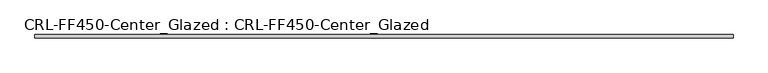
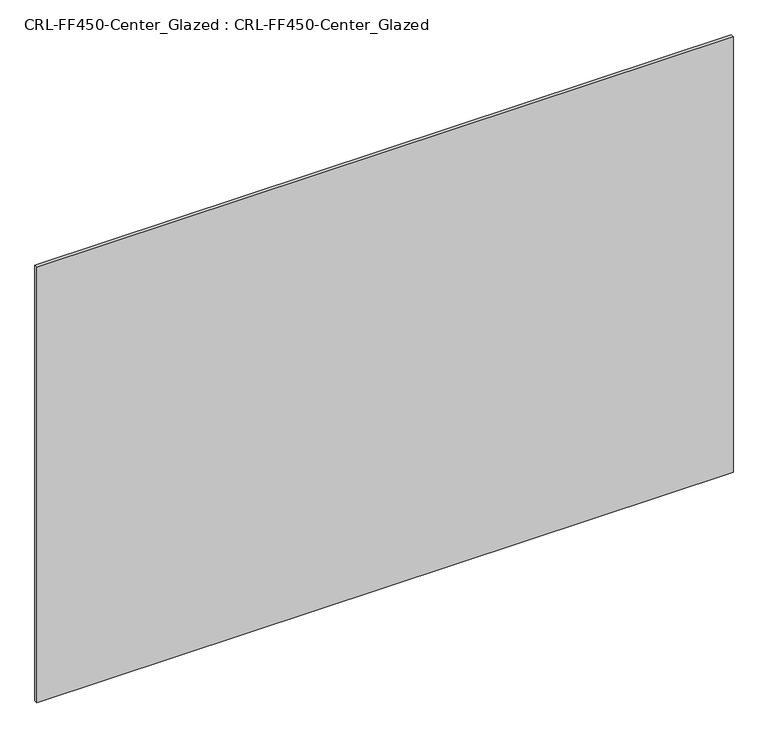
"""IFC4 building model written with IfcOpenShell, lengths in millimetres: plate geometry, CRL-FF450-Center_Glazed : CRL-FF450-Center_Glazed."""

from ifc_helpers import new_model, si_unit, origin, origin_with_axes, place, context, project, spatial, polyline, outline, extrude, source, transform, mapped, element, save


def crl_ff450_center_glazed_crl_ff450_center_glazed_67557a52(model_context):
    return source(origin(), model_context, "Body", "SweptSolid", [
        extrude(outline(polyline([(621.2370146, 3.1749999), (621.2370146, -3.1749999), (-621.2370146, -3.1749999), (-621.2370146, 3.1749999), (621.2370146, 3.1749999)])), origin_with_axes(), (0.0, 0.0, 1.0), 821.3089215),
    ])


if __name__ == "__main__":
    model = new_model("IFC4")
    model_context = context("Model", 3, world=origin())
    ifc_project = project(units=[si_unit("LENGTHUNIT", "METRE", prefix="MILLI")], contexts=[model_context])
    site = spatial("IfcSite", under=ifc_project)
    building = spatial("IfcBuilding", under=site)
    placement = place(None, origin())
    crl_ff450_center_glazed_crl_ff450_center_glazed_shape = crl_ff450_center_glazed_crl_ff450_center_glazed_67557a52(model_context)
    element("IfcPlate", 1, ObjectType="CRL-FF450-Center_Glazed : CRL-FF450-Center_Glazed", at=placement, inside=building, context=model_context, shape_type="MappedRepresentation", body=[
        mapped(crl_ff450_center_glazed_crl_ff450_center_glazed_shape, transform((0.0, 0.0, 0.0), x_axis=(1.0, 0.0, 0.0), y_axis=(0.0, 1.0, 0.0), z_axis=(0.0, 0.0, 1.0))),
    ])
    save(model, "model.ifc")
